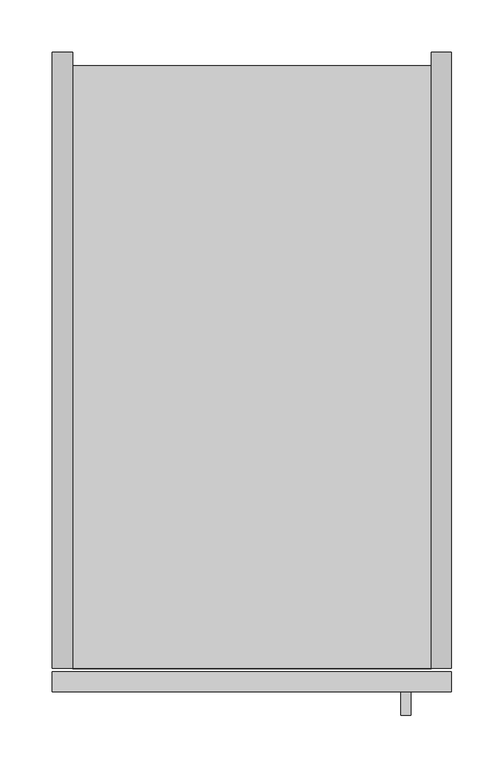
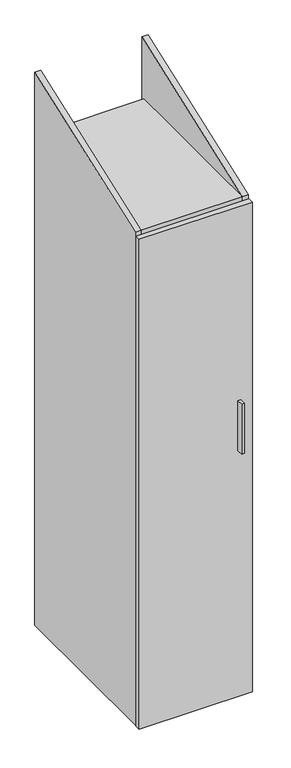
"""IFC4 building model written with IfcOpenShell, lengths in millimetres: furniture geometry."""

from ifc_helpers import new_model, si_unit, frame, origin, place, context, project, spatial, polyline, outline, extrude, source, transform, mapped, element, save


def furniture_d2b8086d(model_context):
    return source(origin(), model_context, "Body", "SweptSolid", [
        extrude(outline(polyline([(342.2638631, -632.079), (332.7388631, -632.079), (332.7388631, -609.854), (342.2638631, -609.854), (342.2638631, -632.079)])), frame((0.0, 0.0, 977.9000121), z_axis=(0.0, 0.0, 1.0), x_axis=(1.0, 0.0, 0.0)), (0.0, 0.0, 1.0), 177.8),
        extrude(outline(polyline([(0.0, 2071.2684), (0.0, 101.6), (-587.375, 101.6), (-587.375, 1857.6579378), (0.0, 2071.2684)])), frame((0.0, 0.0, 0.0), z_axis=(1.0, 0.0, 0.0), x_axis=(0.0, 1.0, 0.0)), (0.0, 0.0, 1.0), 19.304),
        extrude(outline(polyline([(0.0, 2071.2684), (0.0, 101.6), (-587.375, 101.6), (-587.375, 1857.6579378), (0.0, 2071.2684)])), frame((361.696, 0.0, 0.0), z_axis=(1.0, 0.0, 0.0), x_axis=(0.0, 1.0, 0.0)), (0.0, 0.0, 1.0), 19.304),
        extrude(outline(polyline([(361.696, -587.375), (19.304, -587.375), (19.304, -32.004), (361.696, -32.004), (361.696, -587.375)])), frame((0.0, 0.0, 101.6), z_axis=(0.0, 0.0, 1.0), x_axis=(1.0, 0.0, 0.0)), (0.0, 0.0, 1.0), 19.304),
        extrude(outline(polyline([(361.696, -12.7), (361.696, -587.375), (19.304, -587.375), (19.304, -12.7), (361.696, -12.7)])), frame((0.0, 0.0, 1838.3504), z_axis=(0.0, 0.0, 1.0), x_axis=(1.0, 0.0, 0.0)), (0.0, 0.0, 1.0), 19.304),
        extrude(outline(polyline([(361.696, -12.7), (361.696, -32.004), (19.304, -32.004), (19.304, -12.7), (361.696, -12.7)])), frame((0.0, 0.0, 101.6), z_axis=(0.0, 0.0, 1.0), x_axis=(1.0, 0.0, 0.0)), (0.0, 0.0, 1.0), 1736.7504),
        extrude(outline(polyline([(381.0, -609.854), (0.0, -609.854), (0.0, -590.55), (381.0, -590.55), (381.0, -609.854)])), frame((0.0, 0.0, 101.6), z_axis=(0.0, 0.0, 1.0), x_axis=(1.0, 0.0, 0.0)), (0.0, 0.0, 1.0), 1744.3704),
    ])


if __name__ == "__main__":
    model = new_model("IFC4")
    model_context = context("Model", 3, world=origin())
    ifc_project = project(units=[si_unit("LENGTHUNIT", "METRE", prefix="MILLI")], contexts=[model_context])
    site = spatial("IfcSite", under=ifc_project)
    building = spatial("IfcBuilding", under=site)
    placement = place(None, origin())
    furniture_shape = furniture_d2b8086d(model_context)
    element("IfcFurniture", 1, at=placement, inside=building, context=model_context, shape_type="MappedRepresentation", body=[
        mapped(furniture_shape, transform((0.0, 0.0, 0.0), x_axis=(1.0, 0.0, 0.0), y_axis=(0.0, 1.0, 0.0), z_axis=(0.0, 0.0, 1.0))),
    ])
    save(model, "model.ifc")
